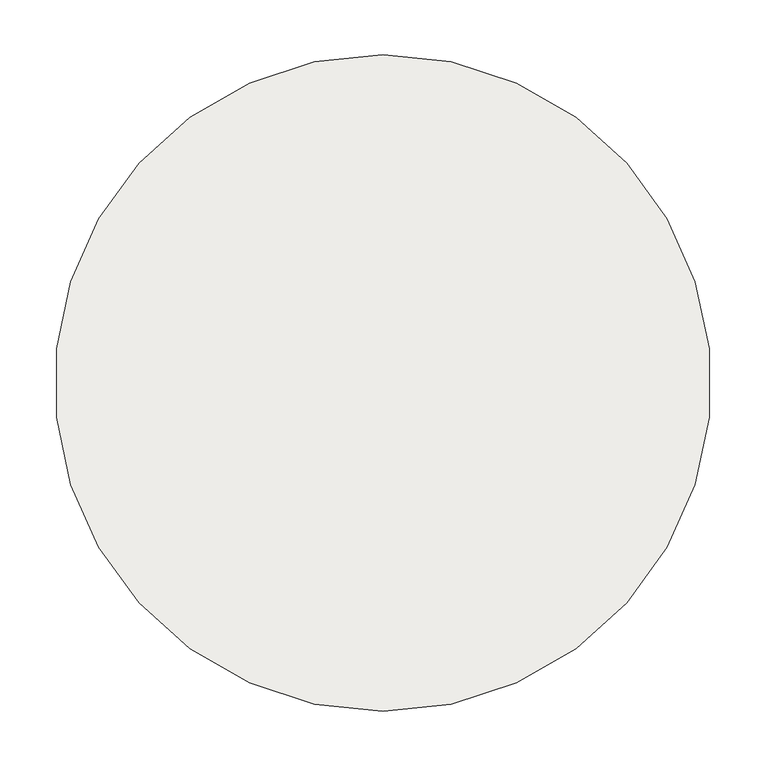
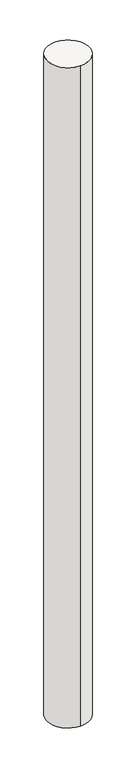
"""IFC4 building model written with IfcOpenShell, lengths in millimetres: slab geometry."""

import ifcopenshell
import ifcopenshell.guid

model = None  # the IFC model being written
_history = None  # IfcOwnerHistory: only IFC2X3 demands one
_inside = {}  # id of a spatial element -> (the spatial element, [elements in it])
_under = {}  # id of a project, library or spatial element -> (it, [spatial elements below it])
_declared = {}  # id of a project -> (the project, [libraries it declares])
_typed = {}  # id of a type object -> (the type object, [elements of that type])
_made_of = {}  # id of a material, layer set ... -> (it, [elements and type objects made of it])


def new_model(schema):
    """Start an empty IFC model of exactly this schema.

    Asked for "IFC4X3", IfcOpenShell would pick the latest addendum, in which some entities
    have other attributes; the version numbers below select the first issue.
    IFC2X3 requires an IfcOwnerHistory on every rooted entity: one is made here for all.
    """
    global model, _history
    if schema == "IFC4X3":
        model = ifcopenshell.file(schema_version=(4, 3, 0, 0))
    else:
        model = ifcopenshell.file(schema=schema)
    _inside.clear()
    _under.clear()
    _declared.clear()
    _typed.clear()
    _made_of.clear()
    _history = None
    if model.schema == "IFC2X3":
        org = make("IfcOrganization", Name="unknown")
        user = make(
            "IfcPersonAndOrganization",
            ThePerson=make("IfcPerson", FamilyName="unknown"),
            TheOrganization=org,
        )
        app = make(
            "IfcApplication",
            ApplicationDeveloper=org,
            Version="unknown",
            ApplicationFullName="unknown",
            ApplicationIdentifier="unknown",
        )
        _history = make(
            "IfcOwnerHistory",
            OwningUser=user,
            OwningApplication=app,
            ChangeAction="ADDED",
            CreationDate=0,
        )
    return model


def make(cls, **values):
    """One entity of the class cls with the attributes given. An attribute that is None is left unset."""
    return model.create_entity(
        cls, **{name: value for name, value in values.items() if value is not None}
    )


def rooted(cls, **values):
    """An entity with a GlobalId (a new one), such as an element, a storey or a relation."""
    return make(cls, GlobalId=ifcopenshell.guid.new(), OwnerHistory=_history, **values)


def si_unit(unit_type, name, prefix=None):
    """IfcSIUnit, for example si_unit("LENGTHUNIT", "METRE", prefix="MILLI")."""
    return make("IfcSIUnit", UnitType=unit_type, Prefix=prefix, Name=name)


def assignment(units):
    """IfcUnitAssignment: the units of a project."""
    return None if units is None else make("IfcUnitAssignment", Units=units)


def point(xyz):
    """IfcCartesianPoint."""
    return None if xyz is None else make("IfcCartesianPoint", Coordinates=xyz)


def direction(xyz):
    """IfcDirection."""
    return None if xyz is None else make("IfcDirection", DirectionRatios=xyz)


def frame(location, z_axis=None, x_axis=None):
    """IfcAxis2Placement3D, a coordinate frame: its origin and axes. An axis left out is left unset."""
    return make(
        "IfcAxis2Placement3D",
        Location=point(location),
        Axis=direction(z_axis),
        RefDirection=direction(x_axis),
    )


def frame_2d(location, x_axis=None):
    """IfcAxis2Placement2D, a coordinate frame in the plane: its origin and x axis."""
    return make(
        "IfcAxis2Placement2D", Location=point(location), RefDirection=direction(x_axis)
    )


def origin():
    """The frame at (0, 0, 0) with its axes left unset."""
    return frame((0.0, 0.0, 0.0))


def origin_2d():
    """The frame at (0, 0) in the plane with its x axis left unset."""
    return frame_2d((0.0, 0.0))


def place(relative_to, where):
    """IfcLocalPlacement: puts the frame where relative to a parent placement (None: the world)."""
    return make(
        "IfcLocalPlacement", PlacementRelTo=relative_to, RelativePlacement=where
    )


def context(
    kind, dimensions, precision=None, world=None, true_north=None, identifier=None
):
    """IfcGeometricRepresentationContext, for example the 3D "Model" context."""
    return make(
        "IfcGeometricRepresentationContext",
        ContextIdentifier=identifier,
        ContextType=kind,
        CoordinateSpaceDimension=dimensions,
        Precision=precision,
        WorldCoordinateSystem=world,
        TrueNorth=true_north,
    )


def project(units=None, contexts=None):
    """IfcProject with its units and contexts."""
    return rooted(
        "IfcProject",
        Name="project",
        RepresentationContexts=contexts,
        UnitsInContext=assignment(units),
    )


def spatial(cls, under=None, at=None, **own):
    """A site, building, storey or space (cls), placed at a placement, below another one or the project."""
    s = rooted(cls, ObjectPlacement=at, **own)
    if under is not None:
        _under.setdefault(under.id(), (under, []))[1].append(s)
    return s


def circle_curve(where, radius):
    """IfcCircle in the frame where."""
    return make("IfcCircle", Position=where, Radius=radius)


def trimmed(basis, trim1, trim2, sense, master):
    """IfcTrimmedCurve: the piece of a basis curve between two trims."""
    return make(
        "IfcTrimmedCurve",
        BasisCurve=basis,
        Trim1=trim1,
        Trim2=trim2,
        SenseAgreement=sense,
        MasterRepresentation=master,
    )


def segment(curve, same_sense, transition):
    """IfcCompositeCurveSegment."""
    return make(
        "IfcCompositeCurveSegment",
        Transition=transition,
        SameSense=same_sense,
        ParentCurve=curve,
    )


def composite_curve(segments, self_intersect=None):
    """IfcCompositeCurve: segments joined end to end."""
    return make("IfcCompositeCurve", Segments=segments, SelfIntersect=self_intersect)


def outline(outer, holes=None, kind="AREA"):
    """IfcArbitraryClosedProfileDef: a profile drawn as a closed curve; with holes, ...WithVoids."""
    if holes is None:
        return make("IfcArbitraryClosedProfileDef", ProfileType=kind, OuterCurve=outer)
    return make(
        "IfcArbitraryProfileDefWithVoids",
        ProfileType=kind,
        OuterCurve=outer,
        InnerCurves=holes,
    )


def extrude(swept, where, along, depth):
    """IfcExtrudedAreaSolid: the profile swept, set in the frame where, extruded along a direction by depth."""
    return make(
        "IfcExtrudedAreaSolid",
        SweptArea=swept,
        Position=where,
        ExtrudedDirection=direction(along),
        Depth=depth,
    )


def shape(context_of_items, identifier, shape_type, items):
    """IfcShapeRepresentation: the items that make up one representation, for example the "Body"."""
    return make(
        "IfcShapeRepresentation",
        ContextOfItems=context_of_items,
        RepresentationIdentifier=identifier,
        RepresentationType=shape_type,
        Items=items,
    )


def source(mapping_origin, context_of_items, identifier, shape_type, items):
    """IfcRepresentationMap: a shape defined once, which mapped items show again and again."""
    return make(
        "IfcRepresentationMap",
        MappingOrigin=mapping_origin,
        MappedRepresentation=shape(context_of_items, identifier, shape_type, items),
    )


def transform(
    local_origin,
    x_axis=None,
    y_axis=None,
    z_axis=None,
    scale=None,
    scale2=None,
    scale3=None,
    uniform=True,
):
    """IfcCartesianTransformationOperator3D, or its non-uniform kind. x_axis, y_axis, z_axis: its Axis1, 2, 3."""
    if uniform:
        return make(
            "IfcCartesianTransformationOperator3D",
            Axis1=direction(x_axis),
            Axis2=direction(y_axis),
            LocalOrigin=point(local_origin),
            Scale=scale,
            Axis3=direction(z_axis),
        )
    return make(
        "IfcCartesianTransformationOperator3DnonUniform",
        Axis1=direction(x_axis),
        Axis2=direction(y_axis),
        LocalOrigin=point(local_origin),
        Scale=scale,
        Axis3=direction(z_axis),
        Scale2=scale2,
        Scale3=scale3,
    )


def mapped(mapping_source, mapping_target):
    """IfcMappedItem: shows the shape of a source again, moved by a transform."""
    return make(
        "IfcMappedItem", MappingSource=mapping_source, MappingTarget=mapping_target
    )


def made_of(thing, what):
    """Note that an element or type object is made of a material, layer set ...; save() writes the relation."""
    if what is not None:
        _made_of.setdefault(what.id(), (what, []))[1].append(thing)
    return thing


def element(
    cls,
    number,
    at=None,
    inside=None,
    cuts=None,
    type_object=None,
    material=None,
    context=None,
    identifier="Body",
    shape_type=None,
    held_by="IfcProductDefinitionShape",
    body=None,
    shapes=None,
    **own,
):
    """One element of the class cls, such as IfcWall. Its Tag is "e" and its number.

    at: its placement. inside: the storey or other place that contains it. cuts: it is an
    opening in that element (IfcRelVoidsElement). A single representation is given by context,
    identifier, shape_type and body (its items); several are given by shapes. held_by: the class
    of the entity that holds the representations. save() writes the other relations.
    """
    e = rooted(cls, Tag="e%d" % number, ObjectPlacement=at, **own)
    if body is not None:
        shapes = [shape(context, identifier, shape_type, body)]
    if shapes is not None:
        e.Representation = make(held_by, Representations=shapes)
    if inside is not None:
        _inside.setdefault(inside.id(), (inside, []))[1].append(e)
    if cuts is not None:
        rooted(
            "IfcRelVoidsElement", RelatingBuildingElement=cuts, RelatedOpeningElement=e
        )
    if type_object is not None:
        _typed.setdefault(type_object.id(), (type_object, []))[1].append(e)
    return made_of(e, material)


def aggregate(whole, parts):
    """IfcRelAggregates: a whole, such as a stair, and the parts it consists of."""
    return rooted("IfcRelAggregates", RelatingObject=whole, RelatedObjects=parts)


def save(model, path):
    """Write the relations noted so far, then the file.

    IfcRelAggregates (storeys below a building ...), IfcRelContainedInSpatialStructure (elements
    in a storey), IfcRelDefinesByType, IfcRelAssociatesMaterial and IfcRelDeclares: one each for
    every whole, place, type object, material and project.
    """
    for whole, parts in _under.values():
        aggregate(whole, parts)
    for where, things in _inside.values():
        rooted(
            "IfcRelContainedInSpatialStructure",
            RelatedElements=things,
            RelatingStructure=where,
        )
    for kind, things in _typed.values():
        rooted("IfcRelDefinesByType", RelatedObjects=things, RelatingType=kind)
    for what, things in _made_of.values():
        rooted("IfcRelAssociatesMaterial", RelatedObjects=things, RelatingMaterial=what)
    for by, libraries in _declared.values():
        rooted("IfcRelDeclares", RelatingContext=by, RelatedDefinitions=libraries)
    model.write(path)


def slab_2a76a714(model_context):
    return source(origin(), model_context, "Body", "SweptSolid", [
        extrude(outline(composite_curve([segment(trimmed(circle_curve(origin_2d(), 300.0), [point((0.0, 300.0))], [point((0.0, -300.0))], False, "CARTESIAN"), True, "CONTINUOUS"), segment(trimmed(circle_curve(origin_2d(), 300.0), [point((0.0, -300.0))], [point((0.0, 300.0))], False, "CARTESIAN"), True, "CONTINUOUS")], self_intersect=False)), frame((0.0, 0.0, -9950.0), z_axis=(0.0, 0.0, 1.0), x_axis=(1.0, 0.0, 0.0)), (0.0, 0.0, 1.0), 10000.0),
    ])


if __name__ == "__main__":
    model = new_model("IFC4")
    model_context = context("Model", 3, world=origin())
    ifc_project = project(units=[si_unit("LENGTHUNIT", "METRE", prefix="MILLI")], contexts=[model_context])
    site = spatial("IfcSite", under=ifc_project)
    building = spatial("IfcBuilding", under=site)
    placement = place(None, origin())
    slab_shape = slab_2a76a714(model_context)
    element("IfcSlab", 1, at=placement, inside=building, context=model_context, shape_type="MappedRepresentation", body=[
        mapped(slab_shape, transform((0.0, 0.0, 0.0), x_axis=(1.0, 0.0, 0.0), y_axis=(0.0, 1.0, 0.0), z_axis=(0.0, 0.0, 1.0))),
    ])
    save(model, "model.ifc")
